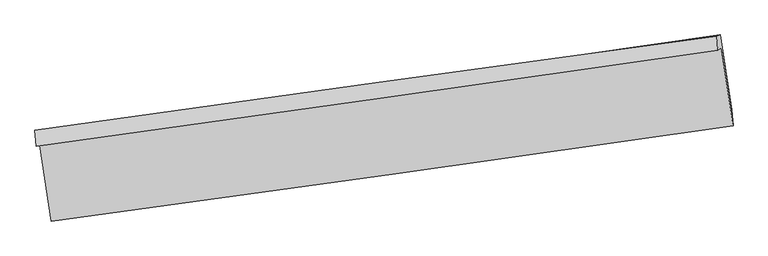
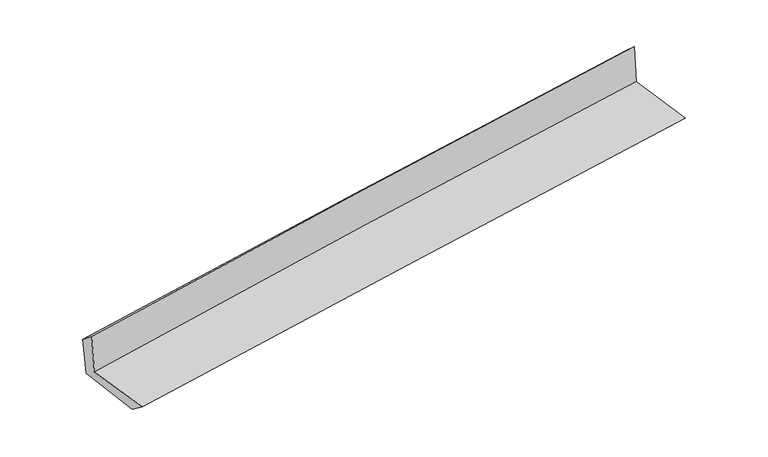
"""IFC4 building model written with IfcOpenShell, lengths in millimetres: proxy geometry."""

from ifc_helpers import new_model, si_unit, frame, origin, place, context, project, spatial, source, transform, mapped, element, save
from ifc_brep_helpers import plane_surface, spline_curve, spline_surface, advanced_brep


def generic_models_4436a8b9(model_context):
    return source(origin(), model_context, "Body", "AdvancedBrep", [
        advanced_brep(
        [(-2998.1949007, -1910.9492043, 1633.6122059), (-2900.087903, -2574.1982235, 1631.7126511), (3050.4777265, -1741.4443148, 2118.0603846), (2948.972169, -1061.5188176, 2130.848053), (-3030.7812552, -1923.34449, 2034.0116037), (2918.261834, -1083.1809702, 2525.3426157), (-3041.8118812, -1780.4705631, 1916.8828292), (2909.6249707, -961.8825205, 2417.4318478), (-3009.1183229, -1788.6109776, 1550.5165529), (2940.2208797, -950.2443659, 2041.489718), (-2912.0931262, -2427.0238915, 1518.5340887), (3039.398868, -1603.0878747, 2009.2537776)],
        [
            (0, 1),
            (1, 2, spline_curve(3, [(-2900.087903, -2574.1982235, 1631.7126511), (-1908.116476172, -2441.987517778, 1721.729944784), (-916.254513476, -2306.486624233, 1807.267262599), (1067.267367071, -2028.902100243, 1969.383326489), (2058.927280792, -1886.818357164, 2045.961919873), (3050.4777265, -1741.4443148, 2118.0603846)], [4, 2, 4], [0.0, 9.88875569902824, 19.77767974024944])),
            (2, 3),
            (3, 0, spline_curve(3, [(2948.972169, -1061.5188176, 2130.848053), (1956.60923446, -1202.465248491, 2060.595317049), (964.826297769, -1343.724934633, 1984.032222362), (-1017.562705417, -1626.868407327, 1818.286724818), (-2008.168792201, -1768.752183381, 1729.104537731), (-2998.1949007, -1910.9492043, 1633.6122059)], [4, 2, 4], [0.0, 9.8889240412212, 19.77767974024944])),
            (4, 0),
            (3, 5),
            (5, 4, spline_curve(3, [(2918.261834, -1083.1809702, 2525.3426157), (1926.216125771, -1225.668710066, 2454.047287602), (934.435463511, -1366.926791781, 2377.454978847), (-1048.578890636, -1646.981256672, 2213.677794379), (-2039.812591358, -1785.777681247, 2126.493099092), (-3030.7812552, -1923.34449, 2034.0116037)], [4, 2, 4], [0.0, 9.88889143098644, 19.777614520335053])),
            (6, 4),
            (5, 7),
            (7, 6, spline_curve(3, [(2909.6249707, -961.8825205, 2417.4318478), (1917.083168577, -1096.332160911, 2338.098548796), (924.854977847, -1231.773240603, 2256.719109023), (-1058.95729578, -1504.635955065, 2089.869366157), (-2050.541388799, -1642.057556426, 2004.399133517), (-3041.8118812, -1780.4705631, 1916.8828292)], [4, 2, 4], [0.0, 9.88893959864964, 19.77771085484148])),
            (8, 6),
            (7, 9),
            (9, 8, spline_curve(3, [(2940.2208797, -950.2443659, 2041.489718), (1948.7279053, -1094.5833188, 1966.944359467), (957.198930832, -1236.617254738, 1888.756870489), (-1025.914138117, -1516.072713614, 1725.099024922), (-2017.498231224, -1653.494315025, 1639.628791992), (-3009.1183229, -1788.6109776, 1550.5165529)], [4, 2, 4], [0.0, 9.888923411503528, 19.777678480824814])),
            (10, 8),
            (9, 11),
            (11, 10, spline_curve(3, [(3039.398868, -1603.0878747, 2009.2537776), (2046.57954569, -1738.56687814, 1934.917548262), (1054.208000455, -1874.968307213, 1856.855746626), (-929.622649032, -2149.613677281, 1693.282390066), (-1921.081768614, -2287.857587592, 1607.770962173), (-2912.0931262, -2427.0238915, 1518.5340887)], [4, 2, 4], [0.0, 9.888944211191339, 19.777720079846354])),
            (1, 10),
            (11, 2),
        ],
        [
            spline_surface(3, 3, [[(-2998.1949007, -1910.9492043, 1633.6122059), (-2008.16879229, -1768.752183529, 1729.104537587), (-1017.562705577, -1626.868407434, 1818.286724982), (964.826297929, -1343.724934526, 1984.032222198), (1956.609234411, -1202.465248407, 2060.595317161), (2948.972169, -1061.5188176, 2130.848053)], [(-2965.49256813, -2132.032210685, 1632.979020994), (-1974.818020196, -1993.163961563, 1726.646340031), (-983.793308133, -1853.407813074, 1814.613570881), (998.973320945, -1572.117323063, 1979.149256917), (1990.715249823, -1430.58295134, 2055.717518017), (2982.807354811, -1288.160649989, 2126.585496869)], [(-2932.79023557, -2353.115217115, 1632.345836006), (-1941.467248114, -2217.575739641, 1724.188142393), (-950.023910757, -2079.947218707, 1810.940416806), (1033.120343892, -1800.509711593, 1974.266291664), (2024.821265301, -1658.700654305, 2050.839718866), (3016.642540689, -1514.802482411, 2122.322940731)], [(-2900.087903, -2574.1982235, 1631.7126511), (-1908.116476021, -2441.987517675, 1721.729944837), (-916.254513313, -2306.486624347, 1807.267262705), (1067.267366908, -2028.90210013, 1969.383326383), (2058.927280713, -1886.818357238, 2045.961919722), (3050.4777265, -1741.4443148, 2118.0603846)]], [4, 4], [4, 2, 4], [0.0, 2.264040631476065], [0.0, 9.88875569902824, 19.77767974024944]),
            spline_surface(3, 3, [[(-3030.7812552, -1923.34449, 2034.0116037), (-2039.812591307, -1785.777681225, 2126.493099129), (-1048.578890595, -1646.981256602, 2213.677794442), (934.43546347, -1366.926791851, 2377.454978785), (1926.216125781, -1225.668709907, 2454.047287472), (2918.261834, -1083.1809702, 2525.3426157)], [(-3019.919137029, -1919.212728094, 1900.545137738), (-2029.264658297, -1780.102515321, 1994.030245253), (-1038.240162268, -1640.276973543, 2081.880771285), (944.56574161, -1359.192839406, 2246.314059919), (1936.347161993, -1217.934222741, 2322.896630676), (2928.498612335, -1075.960252667, 2393.844428108)], [(-3009.057018871, -1915.080966206, 1767.078671862), (-2018.7167253, -1774.427349434, 1861.567391464), (-1027.901433903, -1633.572690494, 1950.083748139), (954.696019788, -1351.458886971, 2115.173141064), (1946.478198199, -1210.199735573, 2191.745973956), (2938.735390665, -1068.739535133, 2262.346240592)], [(-2998.1949007, -1910.9492043, 1633.6122059), (-2008.16879229, -1768.752183529, 1729.104537587), (-1017.562705577, -1626.868407434, 1818.286724982), (964.826297929, -1343.724934526, 1984.032222198), (1956.609234411, -1202.465248407, 2060.595317161), (2948.972169, -1061.5188176, 2130.848053)]], [4, 4], [4, 2, 4], [0.0, 1.2998443673232734], [0.0, 9.888723089348613, 19.777614520335053]),
            spline_surface(3, 3, [[(-3041.8118812, -1780.4705631, 1916.8828292), (-2050.541388759, -1642.057556416, 2004.399133554), (-1058.957295617, -1504.635955145, 2089.869366316), (924.854977683, -1231.773240522, 2256.719108863), (1917.083168486, -1096.33216093, 2338.098548934), (2909.6249707, -961.8825205, 2417.4318478)], [(-3038.13500587, -1828.095205399, 1955.925754052), (-2046.965122945, -1689.964264685, 2045.097122098), (-1055.497827264, -1552.084388989, 2131.138842368), (928.048472957, -1276.824424323, 2296.964398847), (1920.127487592, -1139.444343907, 2376.748128449), (2912.503925141, -1002.315337052, 2453.402103769)], [(-3034.45813053, -1875.719847701, 1994.968678848), (-2043.388857121, -1737.870972957, 2085.795110585), (-1052.038358947, -1599.532822758, 2172.40831839), (931.241968196, -1321.87560805, 2337.209688801), (1923.171806675, -1182.55652693, 2415.397707957), (2915.382879559, -1042.748153648, 2489.372359731)], [(-3030.7812552, -1923.34449, 2034.0116037), (-2039.812591307, -1785.777681225, 2126.493099129), (-1048.578890595, -1646.981256602, 2213.677794442), (934.43546347, -1366.926791851, 2377.454978785), (1926.216125781, -1225.668709907, 2454.047287472), (2918.261834, -1083.1809702, 2525.3426157)]], [4, 4], [4, 2, 4], [0.0, 0.6076328735763556], [0.0, 9.88877125619184, 19.77771085484148]),
            spline_surface(3, 3, [[(-3009.1183229, -1788.6109776, 1550.5165529), (-2017.498231154, -1653.494314933, 1639.628792095), (-1025.914138012, -1516.072713562, 1725.099024857), (957.198930727, -1236.61725479, 1888.756870554), (1948.727905159, -1094.583318959, 1966.9443595), (2940.2208797, -950.2443659, 2041.489718)], [(-3020.01617568, -1785.897506102, 1672.638645001), (-2028.512617036, -1649.682062096, 1761.218905916), (-1036.928523893, -1512.260460725, 1846.689138678), (946.417613032, -1235.002583336, 2011.410949991), (1938.179659619, -1095.166266298, 2090.662422667), (2930.022243384, -954.123750782, 2166.803761289)], [(-3030.91402842, -1783.184034598, 1794.760737099), (-2039.527002878, -1645.869809253, 1882.809019733), (-1047.942909735, -1508.448207982, 1968.279252495), (935.636295378, -1233.387911976, 2134.065029426), (1927.631414026, -1095.749213591, 2214.380485767), (2919.823607016, -958.003135618, 2292.117804511)], [(-3041.8118812, -1780.4705631, 1916.8828292), (-2050.541388759, -1642.057556416, 2004.399133554), (-1058.957295617, -1504.635955145, 2089.869366316), (924.854977683, -1231.773240522, 2256.719108863), (1917.083168486, -1096.33216093, 2338.098548934), (2909.6249707, -961.8825205, 2417.4318478)]], [4, 4], [4, 2, 4], [0.0, 1.2070611329313297], [0.0, 9.888755069321286, 19.777678480824814]),
            spline_surface(3, 3, [[(-2912.0931262, -2427.0238915, 1518.5340887), (-1921.081768682, -2287.857587538, 1607.770962273), (-929.622649021, -2149.613677408, 1693.282390107), (1054.208000444, -1874.968307086, 1856.855746584), (2046.579545564, -1738.566878249, 1934.917548381), (3039.398868, -1603.0878747, 2009.2537776)], [(-2944.434858433, -2214.219586886, 1529.194910099), (-1953.220589505, -2076.403163356, 1618.39023888), (-961.719812025, -1938.433356149, 1703.887935026), (1021.871643864, -1662.184623011, 1867.489454576), (2013.962332099, -1523.905691807, 1945.593152081), (3006.33953857, -1385.473371754, 2019.99909106)], [(-2976.776590667, -2001.415282214, 1539.855731501), (-1985.35941033, -1864.948739115, 1629.009515488), (-993.816975007, -1727.25303482, 1714.493479938), (989.535287306, -1449.400938865, 1878.123162562), (1981.345118623, -1309.244505402, 1956.2687558), (2973.28020913, -1167.858868846, 2030.74440454)], [(-3009.1183229, -1788.6109776, 1550.5165529), (-2017.498231154, -1653.494314933, 1639.628792095), (-1025.914138012, -1516.072713562, 1725.099024857), (957.198930727, -1236.61725479, 1888.756870554), (1948.727905159, -1094.583318959, 1966.9443595), (2940.2208797, -950.2443659, 2041.489718)]], [4, 4], [4, 2, 4], [0.0, 2.112982247096805], [0.0, 9.888775868655015, 19.777720079846354]),
            spline_surface(3, 3, [[(-2900.087903, -2574.1982235, 1631.7126511), (-1908.116476021, -2441.987517675, 1721.729944837), (-916.254513313, -2306.486624347, 1807.267262705), (1067.267366908, -2028.90210013, 1969.383326383), (2058.927280713, -1886.818357238, 2045.961919722), (3050.4777265, -1741.4443148, 2118.0603846)], [(-2904.089644058, -2525.140112833, 1593.986463615), (-1912.438240233, -2390.610874296, 1683.743617298), (-920.71055855, -2254.195642018, 1769.272305171), (1062.914244752, -1977.590835766, 1931.874133116), (2054.811368987, -1837.401197598, 2008.947129279), (3046.784773658, -1695.325501456, 2081.791515604)], [(-2908.091385142, -2476.082002167, 1556.260276185), (-1916.76000447, -2339.234230917, 1645.757289812), (-925.166603783, -2201.904659737, 1731.277347641), (1058.5611226, -1926.27957145, 1894.364939851), (2050.695457289, -1787.984037889, 1971.932338824), (3043.091820842, -1649.206688044, 2045.522646596)], [(-2912.0931262, -2427.0238915, 1518.5340887), (-1921.081768682, -2287.857587538, 1607.770962273), (-929.622649021, -2149.613677408, 1693.282390107), (1054.208000444, -1874.968307086, 1856.855746584), (2046.579545564, -1738.566878249, 1934.917548381), (3039.398868, -1603.0878747, 2009.2537776)]], [4, 4], [4, 2, 4], [0.0, 0.6323751685244006], [0.0, 9.888851134561135, 19.777870612939886]),
            plane_surface(frame((2967.8260746, -1233.5598106, 2207.0710661), z_axis=(0.9857142290850976, 0.14556300113786214, 0.08472822008581678), x_axis=(-0.08107784606951313, -0.03084061050808441, 0.9962305153026668))),
            plane_surface(frame((-2982.0145649, -2067.4328917, 1714.2116552), z_axis=(-0.9857142290857582, -0.1455630011323269, -0.08472822008764007), x_axis=(-0.1463260612816413, 0.9892323573889819, 0.0028331756809409432))),
        ],
        [
            (0, [[1, 2, 3, 4]]),
            (1, [[5, -4, 6, 7]]),
            (2, [[8, -7, 9, 10]]),
            (3, [[11, -10, 12, 13]]),
            (4, [[14, -13, 15, 16]]),
            (5, [[17, -16, 18, -2]]),
            (6, [[-12, -9, -6, -3, -18, -15]]),
            (7, [[-1, -5, -8, -11, -14, -17]]),
        ],
    ),
    ])


if __name__ == "__main__":
    model = new_model("IFC4")
    model_context = context("Model", 3, world=origin())
    ifc_project = project(units=[si_unit("LENGTHUNIT", "METRE", prefix="MILLI")], contexts=[model_context])
    site = spatial("IfcSite", under=ifc_project)
    building = spatial("IfcBuilding", under=site)
    placement = place(None, origin())
    generic_models_shape = generic_models_4436a8b9(model_context)
    element("IfcBuildingElementProxy", 1, Name="Generic Models", at=placement, inside=building, context=model_context, shape_type="MappedRepresentation", body=[
        mapped(generic_models_shape, transform((0.0, 0.0, 0.0), x_axis=(1.0, 0.0, 0.0), y_axis=(0.0, 1.0, 0.0), z_axis=(0.0, 0.0, 1.0))),
    ])
    save(model, "model.ifc")
